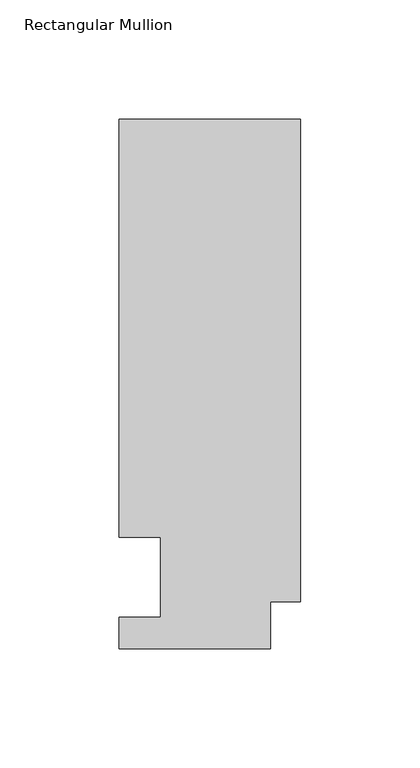
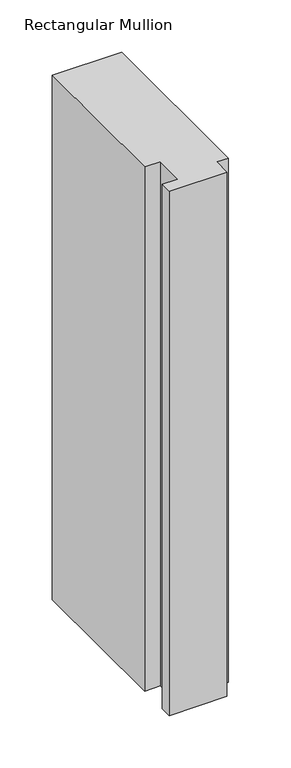
"""IFC4 building model written with IfcOpenShell, lengths in millimetres: member geometry, Rectangular Mullion."""

from ifc_helpers import new_model, si_unit, frame, origin, place, context, project, spatial, polyline, outline, extrude, source, transform, mapped, element, save


def rectangular_mullion_871af5e0(model_context):
    return source(origin(), model_context, "Body", "SweptSolid", [
        extrude(outline(polyline([(0.0, 222.0301312), (0.0, 19.5667312), (-12.7, 19.5667312), (-12.7, 0.041758), (-76.2, 0.041758), (-76.2, 13.224358), (-58.7375002, 13.224358), (-58.7375002, 46.7447302), (-76.2000001, 46.7447302), (-76.2000001, 222.0301312), (0.0, 222.0301312)])), frame((0.0, 0.0, -609.6), z_axis=(0.0, 0.0, 1.0), x_axis=(1.0, 0.0, 0.0)), (0.0, 0.0, 1.0), 609.6),
    ])


if __name__ == "__main__":
    model = new_model("IFC4")
    model_context = context("Model", 3, world=origin())
    ifc_project = project(units=[si_unit("LENGTHUNIT", "METRE", prefix="MILLI")], contexts=[model_context])
    site = spatial("IfcSite", under=ifc_project)
    building = spatial("IfcBuilding", under=site)
    placement = place(None, origin())
    rectangular_mullion_shape = rectangular_mullion_871af5e0(model_context)
    element("IfcMember", 1, ObjectType="Rectangular Mullion", at=placement, inside=building, context=model_context, shape_type="MappedRepresentation", body=[
        mapped(rectangular_mullion_shape, transform((0.0, 0.0, 0.0), x_axis=(1.0, 0.0, 0.0), y_axis=(0.0, 1.0, 0.0), z_axis=(0.0, 0.0, 1.0))),
    ])
    save(model, "model.ifc")
